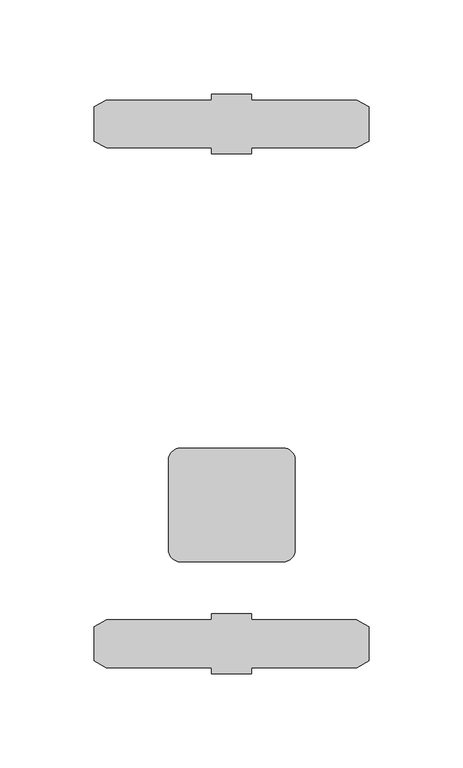
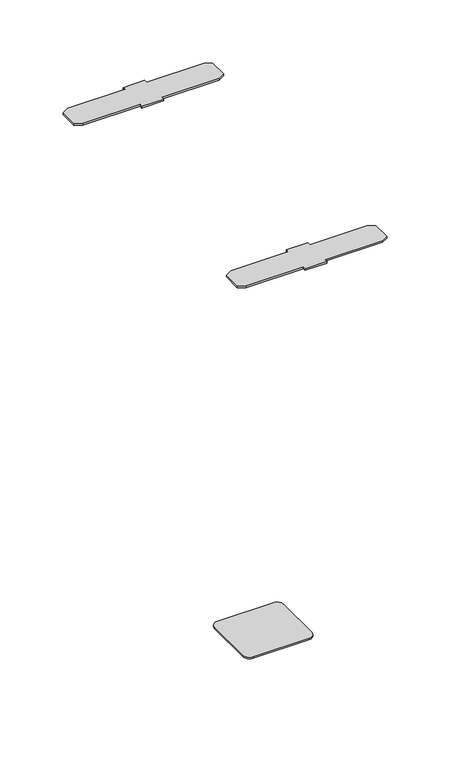
"""IFC4 building model written with IfcOpenShell, lengths in millimetres: furniture geometry."""

from ifc_helpers import new_model, si_unit, point, frame, frame_2d, origin, place, context, project, spatial, polyline, circle_curve, trimmed, segment, composite_curve, outline, extrude, source, transform, mapped, element, save


def furniture_c241d633(model_context):
    return source(origin(), model_context, "Body", "SweptSolid", [
        extrude(outline(composite_curve([segment(polyline([(-33.6549997, -304.0102468), (-33.6549997, -256.2581955)]), True, "CONTINUOUS"), segment(trimmed(circle_curve(frame_2d((-27.3049997, -256.2581955)), 6.35), [point((-33.6549997, -256.2581955))], [point((-27.3049997, -249.9081955))], False, "CARTESIAN"), True, "CONTINUOUS"), segment(polyline([(-27.3049997, -249.9081955), (27.3049997, -249.9081955)]), True, "CONTINUOUS"), segment(trimmed(circle_curve(frame_2d((27.3049997, -256.2581955)), 6.35), [point((27.3049997, -249.9081955))], [point((33.6549997, -256.2581955))], False, "CARTESIAN"), True, "CONTINUOUS"), segment(polyline([(33.6549997, -256.2581955), (33.6549997, -304.0102468)]), True, "CONTINUOUS"), segment(trimmed(circle_curve(frame_2d((27.3049997, -304.0102468)), 6.35), [point((33.6549997, -304.0102468))], [point((27.3049997, -310.3602468))], False, "CARTESIAN"), True, "CONTINUOUS"), segment(polyline([(27.3049997, -310.3602468), (-27.3049997, -310.3602468)]), True, "CONTINUOUS"), segment(trimmed(circle_curve(frame_2d((-27.3049997, -304.0102468)), 6.35), [point((-27.3049997, -310.3602468))], [point((-33.6549997, -304.0102468))], False, "CARTESIAN"), True, "CONTINUOUS")], self_intersect=False)), frame((0.0, 0.0, 277.876), z_axis=(0.0, 0.0, 1.0), x_axis=(1.0, 0.0, 0.0)), (0.0, 0.0, 1.0), 1.524),
        extrude(outline(polyline([(-10.8902498, -65.0875015), (-10.8902498, -61.937612), (10.3187504, -61.937612), (10.3187504, -65.0875015), (66.389248, -65.0875015), (72.739251, -68.7536749), (72.739251, -86.8718413), (66.1290077, -90.5128982), (10.3187504, -90.5128982), (10.3187504, -93.6879042), (-10.8902498, -93.6879042), (-10.8902498, -90.5128982), (-66.7005072, -90.5128982), (-73.3107505, -86.8718413), (-73.3107505, -68.7536749), (-66.960752, -65.0875015), (-10.8902498, -65.0875015)])), frame((0.0, 0.0, 708.2281564), z_axis=(0.0, 0.0, 1.0), x_axis=(1.0, 0.0, 0.0)), (0.0, 0.0, 1.0), 1.9050436),
        extrude(outline(polyline([(-10.8902498, -366.7125045), (-66.960752, -366.7125045), (-73.3107505, -363.0463312), (-73.3107505, -344.9281647), (-66.7005072, -341.2871079), (-10.8902498, -341.2871079), (-10.8902498, -338.1121018), (10.3187504, -338.1121018), (10.3187504, -341.2871079), (66.1290077, -341.2871079), (72.739251, -344.9281647), (72.739251, -363.0463312), (66.389248, -366.7125045), (10.3187504, -366.7125045), (10.3187504, -369.862394), (-10.8902498, -369.862394), (-10.8902498, -366.7125045)])), frame((0.0, 0.0, 708.2281564), z_axis=(0.0, 0.0, 1.0), x_axis=(1.0, 0.0, 0.0)), (0.0, 0.0, 1.0), 1.9050436),
    ])


if __name__ == "__main__":
    model = new_model("IFC4")
    model_context = context("Model", 3, world=origin())
    ifc_project = project(units=[si_unit("LENGTHUNIT", "METRE", prefix="MILLI")], contexts=[model_context])
    site = spatial("IfcSite", under=ifc_project)
    building = spatial("IfcBuilding", under=site)
    placement = place(None, origin())
    furniture_shape = furniture_c241d633(model_context)
    element("IfcFurniture", 1, at=placement, inside=building, context=model_context, shape_type="MappedRepresentation", body=[
        mapped(furniture_shape, transform((0.0, 0.0, 0.0), x_axis=(1.0, 0.0, 0.0), y_axis=(0.0, 1.0, 0.0), z_axis=(0.0, 0.0, 1.0))),
    ])
    save(model, "model.ifc")
